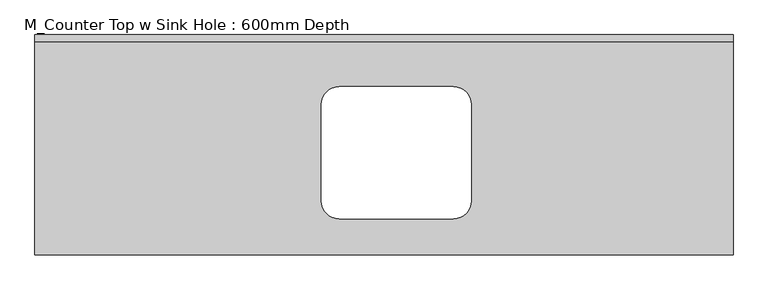
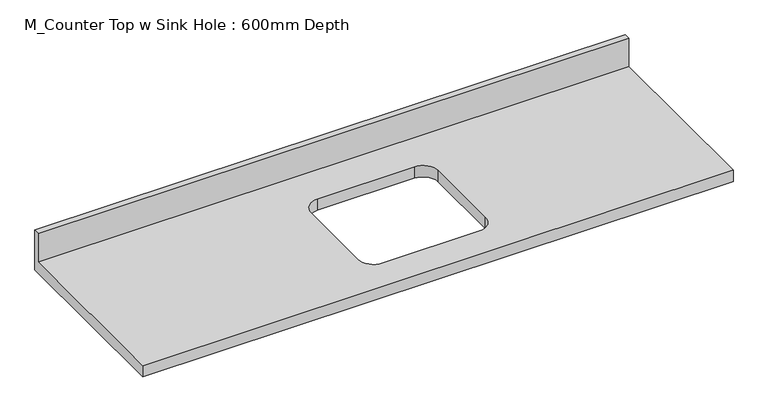
"""IFC4 building model written with IfcOpenShell, lengths in millimetres: furniture geometry, M_Counter Top w Sink Hole : 600mm Depth."""

import ifcopenshell
import ifcopenshell.guid

model = None  # the IFC model being written
_history = None  # IfcOwnerHistory: only IFC2X3 demands one
_inside = {}  # id of a spatial element -> (the spatial element, [elements in it])
_under = {}  # id of a project, library or spatial element -> (it, [spatial elements below it])
_declared = {}  # id of a project -> (the project, [libraries it declares])
_typed = {}  # id of a type object -> (the type object, [elements of that type])
_made_of = {}  # id of a material, layer set ... -> (it, [elements and type objects made of it])


def new_model(schema):
    """Start an empty IFC model of exactly this schema.

    Asked for "IFC4X3", IfcOpenShell would pick the latest addendum, in which some entities
    have other attributes; the version numbers below select the first issue.
    IFC2X3 requires an IfcOwnerHistory on every rooted entity: one is made here for all.
    """
    global model, _history
    if schema == "IFC4X3":
        model = ifcopenshell.file(schema_version=(4, 3, 0, 0))
    else:
        model = ifcopenshell.file(schema=schema)
    _inside.clear()
    _under.clear()
    _declared.clear()
    _typed.clear()
    _made_of.clear()
    _history = None
    if model.schema == "IFC2X3":
        org = make("IfcOrganization", Name="unknown")
        user = make(
            "IfcPersonAndOrganization",
            ThePerson=make("IfcPerson", FamilyName="unknown"),
            TheOrganization=org,
        )
        app = make(
            "IfcApplication",
            ApplicationDeveloper=org,
            Version="unknown",
            ApplicationFullName="unknown",
            ApplicationIdentifier="unknown",
        )
        _history = make(
            "IfcOwnerHistory",
            OwningUser=user,
            OwningApplication=app,
            ChangeAction="ADDED",
            CreationDate=0,
        )
    return model


def make(cls, **values):
    """One entity of the class cls with the attributes given. An attribute that is None is left unset."""
    return model.create_entity(
        cls, **{name: value for name, value in values.items() if value is not None}
    )


def rooted(cls, **values):
    """An entity with a GlobalId (a new one), such as an element, a storey or a relation."""
    return make(cls, GlobalId=ifcopenshell.guid.new(), OwnerHistory=_history, **values)


def si_unit(unit_type, name, prefix=None):
    """IfcSIUnit, for example si_unit("LENGTHUNIT", "METRE", prefix="MILLI")."""
    return make("IfcSIUnit", UnitType=unit_type, Prefix=prefix, Name=name)


def assignment(units):
    """IfcUnitAssignment: the units of a project."""
    return None if units is None else make("IfcUnitAssignment", Units=units)


def point(xyz):
    """IfcCartesianPoint."""
    return None if xyz is None else make("IfcCartesianPoint", Coordinates=xyz)


def direction(xyz):
    """IfcDirection."""
    return None if xyz is None else make("IfcDirection", DirectionRatios=xyz)


def frame(location, z_axis=None, x_axis=None):
    """IfcAxis2Placement3D, a coordinate frame: its origin and axes. An axis left out is left unset."""
    return make(
        "IfcAxis2Placement3D",
        Location=point(location),
        Axis=direction(z_axis),
        RefDirection=direction(x_axis),
    )


def origin():
    """The frame at (0, 0, 0) with its axes left unset."""
    return frame((0.0, 0.0, 0.0))


def place(relative_to, where):
    """IfcLocalPlacement: puts the frame where relative to a parent placement (None: the world)."""
    return make(
        "IfcLocalPlacement", PlacementRelTo=relative_to, RelativePlacement=where
    )


def context(
    kind, dimensions, precision=None, world=None, true_north=None, identifier=None
):
    """IfcGeometricRepresentationContext, for example the 3D "Model" context."""
    return make(
        "IfcGeometricRepresentationContext",
        ContextIdentifier=identifier,
        ContextType=kind,
        CoordinateSpaceDimension=dimensions,
        Precision=precision,
        WorldCoordinateSystem=world,
        TrueNorth=true_north,
    )


def project(units=None, contexts=None):
    """IfcProject with its units and contexts."""
    return rooted(
        "IfcProject",
        Name="project",
        RepresentationContexts=contexts,
        UnitsInContext=assignment(units),
    )


def spatial(cls, under=None, at=None, **own):
    """A site, building, storey or space (cls), placed at a placement, below another one or the project."""
    s = rooted(cls, ObjectPlacement=at, **own)
    if under is not None:
        _under.setdefault(under.id(), (under, []))[1].append(s)
    return s


def polyline(points):
    """IfcPolyline through the points."""
    return make("IfcPolyline", Points=[point(p) for p in points])


def circle_curve(where, radius):
    """IfcCircle in the frame where."""
    return make("IfcCircle", Position=where, Radius=radius)


def shape(context_of_items, identifier, shape_type, items):
    """IfcShapeRepresentation: the items that make up one representation, for example the "Body"."""
    return make(
        "IfcShapeRepresentation",
        ContextOfItems=context_of_items,
        RepresentationIdentifier=identifier,
        RepresentationType=shape_type,
        Items=items,
    )


def source(mapping_origin, context_of_items, identifier, shape_type, items):
    """IfcRepresentationMap: a shape defined once, which mapped items show again and again."""
    return make(
        "IfcRepresentationMap",
        MappingOrigin=mapping_origin,
        MappedRepresentation=shape(context_of_items, identifier, shape_type, items),
    )


def transform(
    local_origin,
    x_axis=None,
    y_axis=None,
    z_axis=None,
    scale=None,
    scale2=None,
    scale3=None,
    uniform=True,
):
    """IfcCartesianTransformationOperator3D, or its non-uniform kind. x_axis, y_axis, z_axis: its Axis1, 2, 3."""
    if uniform:
        return make(
            "IfcCartesianTransformationOperator3D",
            Axis1=direction(x_axis),
            Axis2=direction(y_axis),
            LocalOrigin=point(local_origin),
            Scale=scale,
            Axis3=direction(z_axis),
        )
    return make(
        "IfcCartesianTransformationOperator3DnonUniform",
        Axis1=direction(x_axis),
        Axis2=direction(y_axis),
        LocalOrigin=point(local_origin),
        Scale=scale,
        Axis3=direction(z_axis),
        Scale2=scale2,
        Scale3=scale3,
    )


def mapped(mapping_source, mapping_target):
    """IfcMappedItem: shows the shape of a source again, moved by a transform."""
    return make(
        "IfcMappedItem", MappingSource=mapping_source, MappingTarget=mapping_target
    )


def made_of(thing, what):
    """Note that an element or type object is made of a material, layer set ...; save() writes the relation."""
    if what is not None:
        _made_of.setdefault(what.id(), (what, []))[1].append(thing)
    return thing


def element(
    cls,
    number,
    at=None,
    inside=None,
    cuts=None,
    type_object=None,
    material=None,
    context=None,
    identifier="Body",
    shape_type=None,
    held_by="IfcProductDefinitionShape",
    body=None,
    shapes=None,
    **own,
):
    """One element of the class cls, such as IfcWall. Its Tag is "e" and its number.

    at: its placement. inside: the storey or other place that contains it. cuts: it is an
    opening in that element (IfcRelVoidsElement). A single representation is given by context,
    identifier, shape_type and body (its items); several are given by shapes. held_by: the class
    of the entity that holds the representations. save() writes the other relations.
    """
    e = rooted(cls, Tag="e%d" % number, ObjectPlacement=at, **own)
    if body is not None:
        shapes = [shape(context, identifier, shape_type, body)]
    if shapes is not None:
        e.Representation = make(held_by, Representations=shapes)
    if inside is not None:
        _inside.setdefault(inside.id(), (inside, []))[1].append(e)
    if cuts is not None:
        rooted(
            "IfcRelVoidsElement", RelatingBuildingElement=cuts, RelatedOpeningElement=e
        )
    if type_object is not None:
        _typed.setdefault(type_object.id(), (type_object, []))[1].append(e)
    return made_of(e, material)


def aggregate(whole, parts):
    """IfcRelAggregates: a whole, such as a stair, and the parts it consists of."""
    return rooted("IfcRelAggregates", RelatingObject=whole, RelatedObjects=parts)


def save(model, path):
    """Write the relations noted so far, then the file.

    IfcRelAggregates (storeys below a building ...), IfcRelContainedInSpatialStructure (elements
    in a storey), IfcRelDefinesByType, IfcRelAssociatesMaterial and IfcRelDeclares: one each for
    every whole, place, type object, material and project.
    """
    for whole, parts in _under.values():
        aggregate(whole, parts)
    for where, things in _inside.values():
        rooted(
            "IfcRelContainedInSpatialStructure",
            RelatedElements=things,
            RelatingStructure=where,
        )
    for kind, things in _typed.values():
        rooted("IfcRelDefinesByType", RelatedObjects=things, RelatingType=kind)
    for what, things in _made_of.values():
        rooted("IfcRelAssociatesMaterial", RelatedObjects=things, RelatingMaterial=what)
    for by, libraries in _declared.values():
        rooted("IfcRelDeclares", RelatingContext=by, RelatedDefinitions=libraries)
    model.write(path)


def plane_surface(at):
    """IfcPlane: the flat surface through the origin of the frame at, square to its z axis."""
    return make("IfcPlane", Position=at)


def revolved_surface(curve, axis_point, axis_direction):
    """IfcSurfaceOfRevolution: the curve turned about the line through axis_point along axis_direction."""
    return make(
        "IfcSurfaceOfRevolution",
        SweptCurve=make("IfcArbitraryOpenProfileDef", ProfileType="CURVE", Curve=curve),
        AxisPosition=make("IfcAxis1Placement", Location=point(axis_point), Axis=direction(axis_direction)),
    )


def advanced_brep(points, edges, surfaces, faces):
    """IfcAdvancedBrep: a solid bounded by faces that lie on surfaces and meet in shared edges.

    An edge is (start, end): straight between two places in points (the first is 0);
    or (start, end, curve); or (start, end, curve, False) where it runs against its curve.
    A face is (place in surfaces, loops), or (place, loops, False) where it looks against
    its surface's normal. A loop lists edges by number (the first is 1), with a minus sign
    where the edge is run from its end to its start. The first loop is the outer one.
    """
    corners = [point(p) for p in points]
    vertices = [make("IfcVertexPoint", VertexGeometry=c) for c in corners]
    made = []
    for start, end, *more in edges:
        made.append(
            make(
                "IfcEdgeCurve",
                EdgeStart=vertices[start],
                EdgeEnd=vertices[end],
                EdgeGeometry=more[0] if more else make("IfcPolyline", Points=[corners[start], corners[end]]),
                SameSense=more[1] if len(more) > 1 else True,
            )
        )
    hull = []
    for where, loops, *sense in faces:
        bounds = []
        for j, loop in enumerate(loops):
            ring = [make("IfcOrientedEdge", EdgeElement=made[abs(k) - 1], Orientation=k > 0) for k in loop]
            bounds.append(
                make(
                    "IfcFaceOuterBound" if j == 0 else "IfcFaceBound",
                    Bound=make("IfcEdgeLoop", EdgeList=ring),
                    Orientation=True,
                )
            )
        hull.append(make("IfcAdvancedFace", Bounds=bounds, FaceSurface=surfaces[where], SameSense=sense[0] if sense else True))
    return make("IfcAdvancedBrep", Outer=make("IfcClosedShell", CfsFaces=hull))


def m_counter_top_w_sink_hole_600mm_depth_0a237b63(model_context):
    return source(origin(), model_context, "Body", "AdvancedBrep", [
        advanced_brep(
        [(-1200.4622951, -625.0, 900.0), (779.5377049, -625.0, 900.0), (779.5377049, -19.05, 900.0), (-1200.4622951, -19.05, 900.0), (-337.3622951, -147.3, 900.0), (-13.5622951, -147.3, 900.0), (37.2377049, -198.1, 900.0), (37.2377049, -471.9, 900.0), (-13.5622951, -522.7, 900.0), (-337.3622951, -522.7, 900.0), (-388.1622951, -471.9, 900.0), (-388.1622951, -198.1, 900.0), (779.5377049, 0.0, 860.0), (779.5377049, -625.0, 860.0), (-1200.4622951, -625.0, 860.0), (-1200.4622951, 0.0, 860.0), (-13.5622951, -147.3, 860.0), (-337.3622951, -147.3, 860.0), (-388.1622951, -198.1, 860.0), (-388.1622951, -471.9, 860.0), (-337.3622951, -522.7, 860.0), (-13.5622951, -522.7, 860.0), (37.2377049, -471.9, 860.0), (37.2377049, -198.1, 860.0), (-1200.4622951, 0.0, 1001.6), (779.5377049, 0.0, 1001.6), (-1200.4622951, -19.05, 1001.6), (779.5377049, -19.05, 1001.6)],
        [
            (0, 1),
            (1, 2),
            (2, 3),
            (3, 0),
            (4, 5),
            (5, 6, circle_curve(frame((-13.5622951, -198.1, 900.0), z_axis=(0.0, 0.0, -1.0), x_axis=(1.0, 0.0, 0.0)), 50.8)),
            (6, 7),
            (7, 8, circle_curve(frame((-13.5622951, -471.9, 900.0), z_axis=(0.0, 0.0, -1.0), x_axis=(1.0, 0.0, 0.0)), 50.8)),
            (8, 9),
            (9, 10, circle_curve(frame((-337.3622951, -471.9, 900.0), z_axis=(0.0, 0.0, -1.0), x_axis=(1.0, 0.0, 0.0)), 50.8)),
            (10, 11),
            (11, 4, circle_curve(frame((-337.3622951, -198.1, 900.0), z_axis=(0.0, 0.0, -1.0), x_axis=(1.0, 0.0, 0.0)), 50.8)),
            (12, 13),
            (13, 14),
            (14, 15),
            (15, 12),
            (16, 17),
            (17, 18, circle_curve(frame((-337.3622951, -198.1, 860.0), z_axis=(0.0, 0.0, 1.0), x_axis=(1.0, 0.0, 0.0)), 50.8)),
            (18, 19),
            (19, 20, circle_curve(frame((-337.3622951, -471.9, 860.0), z_axis=(0.0, 0.0, 1.0), x_axis=(1.0, 0.0, 0.0)), 50.8)),
            (20, 21),
            (21, 22, circle_curve(frame((-13.5622951, -471.9, 860.0), z_axis=(0.0, 0.0, 1.0), x_axis=(1.0, 0.0, 0.0)), 50.8)),
            (22, 23),
            (23, 16, circle_curve(frame((-13.5622951, -198.1, 860.0), z_axis=(0.0, 0.0, 1.0), x_axis=(1.0, 0.0, 0.0)), 50.8)),
            (15, 24),
            (24, 25),
            (25, 12),
            (14, 0),
            (3, 26),
            (26, 24),
            (13, 1),
            (25, 27),
            (27, 2),
            (26, 27),
            (4, 17),
            (16, 5),
            (11, 18),
            (10, 19),
            (9, 20),
            (8, 21),
            (7, 22),
            (6, 23),
        ],
        [
            plane_surface(frame((-1200.4622951, 0.0, 900.0), z_axis=(0.0, 0.0, 1.0), x_axis=(-1.0, 0.0, 0.0))),
            plane_surface(frame((-1200.4622951, 0.0, 860.0), z_axis=(0.0, 0.0, -1.0), x_axis=(1.0, 0.0, 0.0))),
            plane_surface(frame((779.5377049, 0.0, 900.0), z_axis=(0.0, 1.0, 0.0), x_axis=(0.0, 0.0, -1.0))),
            plane_surface(frame((-1200.4622951, 0.0, 900.0), z_axis=(-1.0, 0.0, 0.0), x_axis=(0.0, 0.0, -1.0))),
            plane_surface(frame((-1200.4622951, -625.0, 900.0), z_axis=(0.0, -1.0, 0.0), x_axis=(0.0, 0.0, -1.0))),
            plane_surface(frame((779.5377049, -625.0, 900.0), z_axis=(1.0, 0.0, 0.0), x_axis=(0.0, 0.0, -1.0))),
            plane_surface(frame((-1200.4622951, 0.0, 1001.6), z_axis=(0.0, 0.0, 1.0), x_axis=(0.0, -1.0, 0.0))),
            plane_surface(frame((-1200.4622951, -19.05, 1001.6), z_axis=(0.0, -1.0, 0.0), x_axis=(0.0, 0.0, -1.0))),
            plane_surface(frame((-13.5622951, -147.3, 900.0), z_axis=(0.0, -1.0, 0.0), x_axis=(0.0, 0.0, -1.0))),
            revolved_surface(polyline([(-286.5622951, -198.1, 900.0), (-286.5622951, -198.1, 860.0)]), (-337.3622951, -198.1, 860.0), (0.0, 0.0, 1.0)),
            plane_surface(frame((-388.1622951, -198.1, 900.0), z_axis=(1.0, 0.0, 0.0), x_axis=(0.0, 0.0, -1.0))),
            revolved_surface(polyline([(-286.5622951, -471.9, 900.0), (-286.5622951, -471.9, 860.0)]), (-337.3622951, -471.9, 860.0), (0.0, 0.0, 1.0)),
            plane_surface(frame((-337.3622951, -522.7, 900.0), z_axis=(0.0, 1.0, 0.0), x_axis=(0.0, 0.0, -1.0))),
            revolved_surface(polyline([(37.2377049, -471.9, 900.0), (37.2377049, -471.9, 860.0)]), (-13.5622951, -471.9, 860.0), (0.0, 0.0, 1.0)),
            plane_surface(frame((37.2377049, -471.9, 900.0), z_axis=(-1.0, 0.0, 0.0), x_axis=(0.0, 0.0, -1.0))),
            revolved_surface(polyline([(37.2377049, -198.1, 900.0), (37.2377049, -198.1, 860.0)]), (-13.5622951, -198.1, 860.0), (0.0, 0.0, 1.0)),
        ],
        [
            (0, [[1, 2, 3, 4], [5, 6, 7, 8, 9, 10, 11, 12]]),
            (1, [[13, 14, 15, 16], [17, 18, 19, 20, 21, 22, 23, 24]]),
            (2, [[-16, 25, 26, 27]]),
            (3, [[-15, 28, -4, 29, 30, -25]]),
            (4, [[-1, -28, -14, 31]]),
            (5, [[-13, -27, 32, 33, -2, -31]]),
            (6, [[-30, 34, -32, -26]]),
            (7, [[-34, -29, -3, -33]]),
            (8, [[35, -17, 36, -5]]),
            (9, [[-35, -12, 37, -18]]),
            (10, [[-37, -11, 38, -19]]),
            (11, [[-38, -10, 39, -20]]),
            (12, [[-39, -9, 40, -21]]),
            (13, [[-40, -8, 41, -22]]),
            (14, [[-41, -7, 42, -23]]),
            (15, [[-36, -24, -42, -6]]),
        ],
    ),
    ])


if __name__ == "__main__":
    model = new_model("IFC4")
    model_context = context("Model", 3, world=origin())
    ifc_project = project(units=[si_unit("LENGTHUNIT", "METRE", prefix="MILLI")], contexts=[model_context])
    site = spatial("IfcSite", under=ifc_project)
    building = spatial("IfcBuilding", under=site)
    placement = place(None, origin())
    m_counter_top_w_sink_hole_600mm_depth_shape = m_counter_top_w_sink_hole_600mm_depth_0a237b63(model_context)
    element("IfcFurniture", 1, ObjectType="M_Counter Top w Sink Hole : 600mm Depth", at=placement, inside=building, context=model_context, shape_type="MappedRepresentation", body=[
        mapped(m_counter_top_w_sink_hole_600mm_depth_shape, transform((0.0, 0.0, 0.0), x_axis=(1.0, 0.0, 0.0), y_axis=(0.0, 1.0, 0.0), z_axis=(0.0, 0.0, 1.0))),
    ])
    save(model, "model.ifc")
